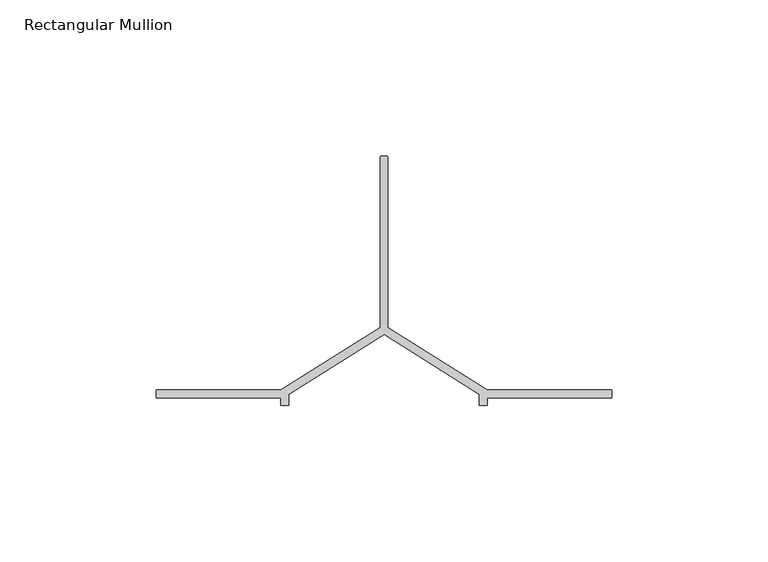
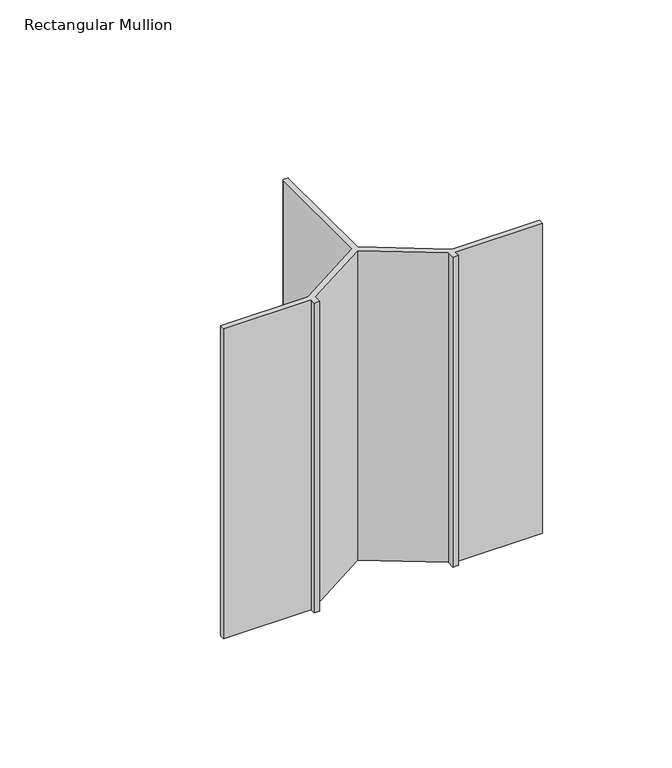
"""IFC4 building model written with IfcOpenShell, lengths in millimetres: member geometry, Rectangular Mullion."""

from ifc_helpers import new_model, si_unit, point, frame, frame_2d, origin, place, context, project, spatial, polyline, circle_curve, trimmed, segment, composite_curve, outline, extrude, source, transform, mapped, element, save


def rectangular_mullion_560e6ab0(model_context):
    return source(origin(), model_context, "Body", "SweptSolid", [
        extrude(outline(composite_curve([segment(polyline([(-0.75, -68.5), (0.75, -68.5)]), True, "CONTINUOUS"), segment(trimmed(circle_curve(frame_2d((0.75, -69.0)), 0.5), [point((0.75, -68.5))], [point((1.25, -69.0))], False, "CARTESIAN"), True, "CONTINUOUS"), segment(polyline([(1.25, -69.0), (1.25, -123.5), (33.0, -143.5), (73.0, -143.5), (73.0, -146.0), (33.0, -146.0), (33.0, -148.5), (30.5, -148.5), (30.5, -144.879855), (0.0, -125.6672566), (-30.5, -144.879855), (-30.5, -148.5), (-33.0, -148.5), (-33.0, -146.0), (-73.0, -146.0), (-73.0, -143.5), (-33.0, -143.5), (-1.25, -123.5), (-1.25, -69.0)]), True, "CONTINUOUS"), segment(trimmed(circle_curve(frame_2d((-0.75, -69.0)), 0.5), [point((-1.25, -69.0))], [point((-0.75, -68.5))], False, "CARTESIAN"), True, "CONTINUOUS")], self_intersect=False)), frame((0.0, 0.0, -150.0), z_axis=(0.0, 0.0, 1.0), x_axis=(1.0, 0.0, 0.0)), (0.0, 0.0, 1.0), 150.0),
    ])


if __name__ == "__main__":
    model = new_model("IFC4")
    model_context = context("Model", 3, world=origin())
    ifc_project = project(units=[si_unit("LENGTHUNIT", "METRE", prefix="MILLI")], contexts=[model_context])
    site = spatial("IfcSite", under=ifc_project)
    building = spatial("IfcBuilding", under=site)
    placement = place(None, origin())
    rectangular_mullion_shape = rectangular_mullion_560e6ab0(model_context)
    element("IfcMember", 1, ObjectType="Rectangular Mullion", at=placement, inside=building, context=model_context, shape_type="MappedRepresentation", body=[
        mapped(rectangular_mullion_shape, transform((0.0, 0.0, 0.0), x_axis=(1.0, 0.0, 0.0), y_axis=(0.0, 1.0, 0.0), z_axis=(0.0, 0.0, 1.0))),
    ])
    save(model, "model.ifc")
